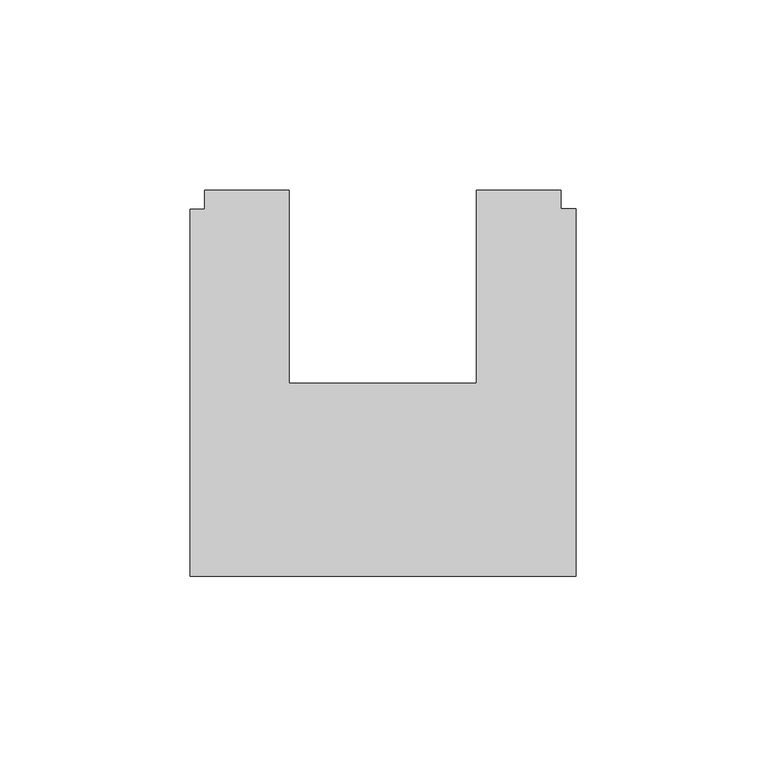
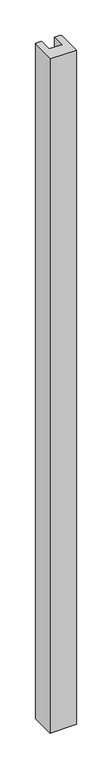
"""IFC4 building model written with IfcOpenShell, lengths in millimetres: furniture geometry."""

from ifc_helpers import new_model, si_unit, origin, origin_with_axes, place, context, project, spatial, polyline, outline, extrude, source, transform, mapped, element, save


def furniture_1fef8e4c(model_context):
    return source(origin(), model_context, "Body", "SweptSolid", [
        extrude(outline(polyline([(33.9141531, 22.1881772), (33.9141531, 27.1980295), (56.1391531, 27.1980295), (56.1391531, -23.6019705), (105.4151531, -23.6019705), (105.4151531, 27.1980295), (127.6401531, 27.1980295), (127.6401531, 22.2450295), (131.5771531, 22.2450295), (131.5771531, -74.4019705), (29.9771531, -74.4019705), (29.9771531, 22.1881772), (33.9141531, 22.1881772)])), origin_with_axes(), (0.0, 0.0, 1.0), 2743.2),
    ])


if __name__ == "__main__":
    model = new_model("IFC4")
    model_context = context("Model", 3, world=origin())
    ifc_project = project(units=[si_unit("LENGTHUNIT", "METRE", prefix="MILLI")], contexts=[model_context])
    site = spatial("IfcSite", under=ifc_project)
    building = spatial("IfcBuilding", under=site)
    placement = place(None, origin())
    furniture_shape = furniture_1fef8e4c(model_context)
    element("IfcFurniture", 1, at=placement, inside=building, context=model_context, shape_type="MappedRepresentation", body=[
        mapped(furniture_shape, transform((0.0, 0.0, 0.0), x_axis=(1.0, 0.0, 0.0), y_axis=(0.0, 1.0, 0.0), z_axis=(0.0, 0.0, 1.0))),
    ])
    save(model, "model.ifc")
